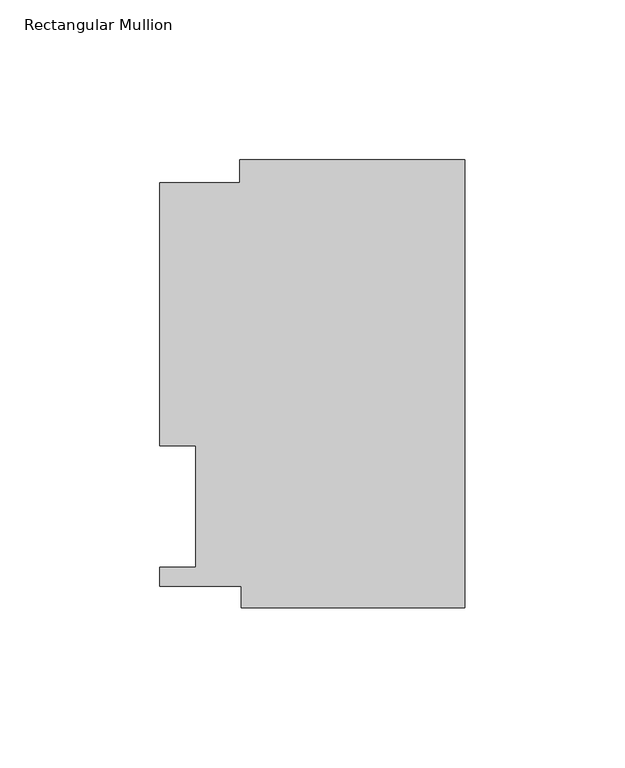
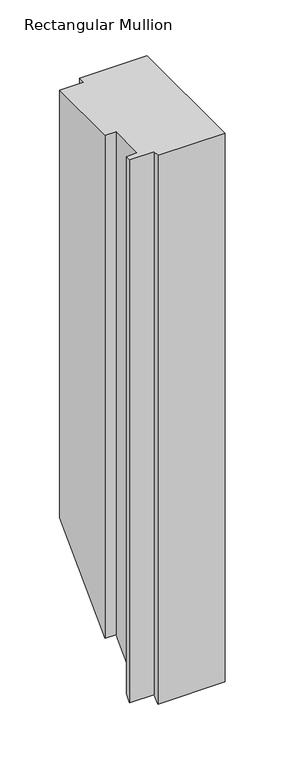
"""IFC4 building model written with IfcOpenShell, lengths in millimetres: member geometry, Rectangular Mullion."""

from ifc_helpers import new_model, si_unit, origin, place, context, project, spatial, faceted_brep, source, transform, mapped, element, save


def rectangular_mullion_5fa2ef83(model_context):
    return source(origin(), model_context, "Body", "Brep", [
        faceted_brep([(-70.3072, 133.731, 0.0), (-70.3072, 126.619, 0.0), (-95.25, 126.619, 0.0), (-95.25, 44.45, 0.0), (-84.1375, 44.45, 0.0), (-84.1375, 6.35, 0.0), (-95.25, 6.35, 0.0), (-95.25, 0.4064, 0.0), (-69.85, 0.4064, 0.0), (-69.85, -6.2260979, 0.0), (0.0, -6.2260979, 0.0), (0.0, 133.731, 0.0), (-70.3072, 133.731, -461.9240284), (-70.3072, 126.619, -469.0360284), (-95.25, 126.619, -469.0360284), (-95.25, 44.45, -551.2050284), (-84.1375, 44.45, -551.2050284), (-84.1375, 6.35, -589.3050284), (-95.25, 6.35, -589.3050284), (-95.25, 0.4064, -595.2486284), (-69.85, 0.4064, -595.2486284), (-69.85, -6.2260979, -601.8811263), (0.0, -6.2260979, -601.8811263), (0.0, 133.731, -461.9240284)], [[[0, 1, 2, 3, 4, 5, 6, 7, 8, 9, 10, 11]], [[1, 0, 12, 13]], [[2, 1, 13, 14]], [[3, 2, 14, 15]], [[4, 3, 15, 16]], [[5, 4, 16, 17]], [[6, 5, 17, 18]], [[7, 6, 18, 19]], [[8, 7, 19, 20]], [[9, 8, 20, 21]], [[10, 9, 21, 22]], [[11, 10, 22, 23]], [[0, 11, 23, 12]], [[12, 23, 22, 21, 20, 19, 18, 17, 16, 15, 14, 13]]]),
    ])


if __name__ == "__main__":
    model = new_model("IFC4")
    model_context = context("Model", 3, world=origin())
    ifc_project = project(units=[si_unit("LENGTHUNIT", "METRE", prefix="MILLI")], contexts=[model_context])
    site = spatial("IfcSite", under=ifc_project)
    building = spatial("IfcBuilding", under=site)
    placement = place(None, origin())
    rectangular_mullion_shape = rectangular_mullion_5fa2ef83(model_context)
    element("IfcMember", 1, ObjectType="Rectangular Mullion", at=placement, inside=building, context=model_context, shape_type="MappedRepresentation", body=[
        mapped(rectangular_mullion_shape, transform((0.0, 0.0, 0.0), x_axis=(1.0, 0.0, 0.0), y_axis=(0.0, 1.0, 0.0), z_axis=(0.0, 0.0, 1.0))),
    ])
    save(model, "model.ifc")
